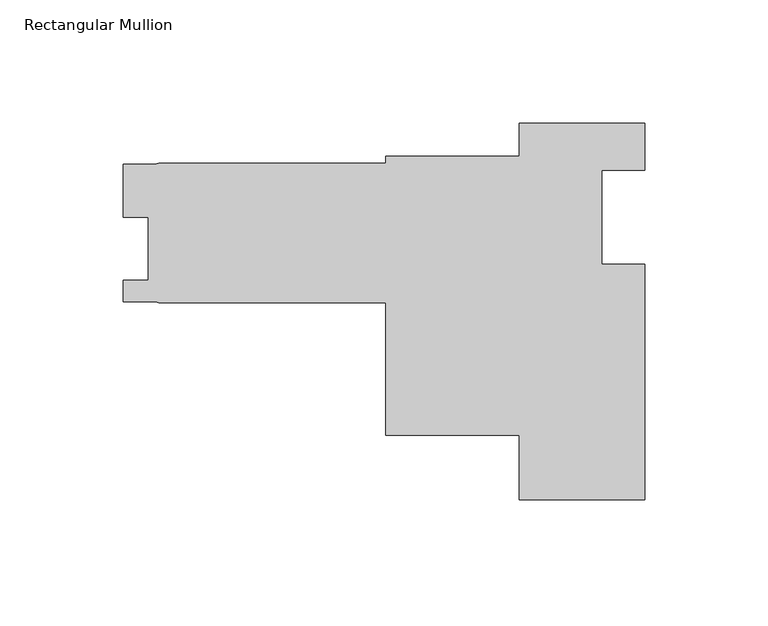
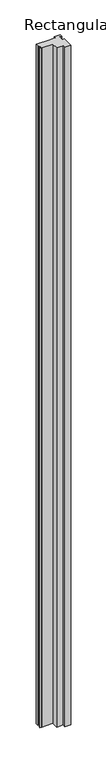
"""IFC4 building model written with IfcOpenShell, lengths in millimetres: member geometry, Rectangular Mullion."""

from ifc_helpers import new_model, si_unit, frame, origin, place, context, project, spatial, polyline, outline, extrude, source, transform, mapped, element, save


def rectangular_mullion_57a61bf2(model_context):
    return source(origin(), model_context, "Body", "SweptSolid", [
        extrude(outline(polyline([(-171.4627, -16.1798), (-79.375, -16.1798), (-79.375, -13.3096), (-25.4, -13.3096), (-25.4, 0.0), (25.4, 0.0), (25.4, -19.05), (7.95, -19.05), (7.95, -57.1500019), (25.4, -57.1500019), (25.4, -152.4), (-25.4, -152.4), (-25.4, -126.3904), (-79.375, -126.3904), (-79.375, -72.6694), (-171.4627, -72.6694), (-172.8857789, -72.1514416), (-185.7502, -72.20585), (-185.7502, -63.46825), (-175.7045, -63.46825), (-175.7045, -38.06825), (-185.7374998, -38.06825), (-185.7374998, -16.6369999), (-173.2964286, -16.6369999), (-171.4627, -16.1798)])), frame((0.0, 0.0, -5959.6415317), z_axis=(0.0, 0.0, 1.0), x_axis=(1.0, 0.0, 0.0)), (0.0, 0.0, 1.0), 5959.6415317),
    ])


if __name__ == "__main__":
    model = new_model("IFC4")
    model_context = context("Model", 3, world=origin())
    ifc_project = project(units=[si_unit("LENGTHUNIT", "METRE", prefix="MILLI")], contexts=[model_context])
    site = spatial("IfcSite", under=ifc_project)
    building = spatial("IfcBuilding", under=site)
    placement = place(None, origin())
    rectangular_mullion_shape = rectangular_mullion_57a61bf2(model_context)
    element("IfcMember", 1, ObjectType="Rectangular Mullion", at=placement, inside=building, context=model_context, shape_type="MappedRepresentation", body=[
        mapped(rectangular_mullion_shape, transform((0.0, 0.0, 0.0), x_axis=(1.0, 0.0, 0.0), y_axis=(0.0, 1.0, 0.0), z_axis=(0.0, 0.0, 1.0))),
    ])
    save(model, "model.ifc")
